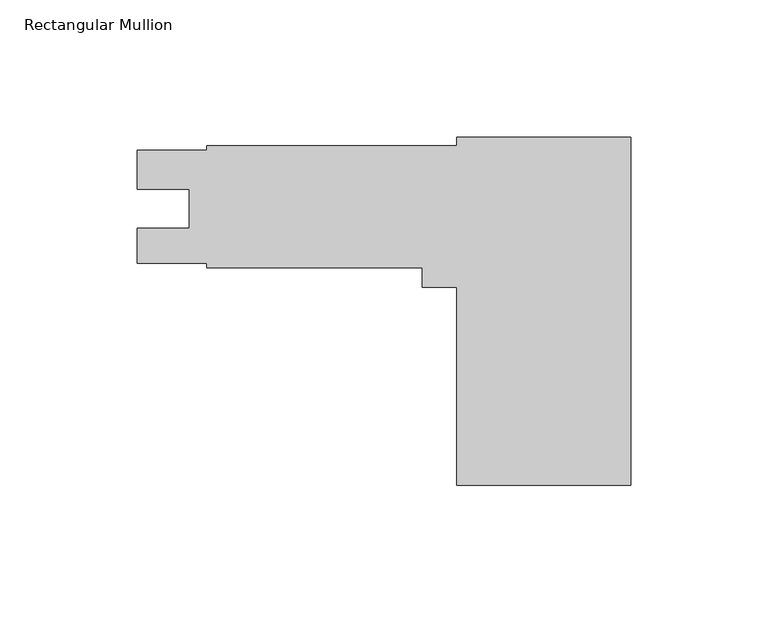
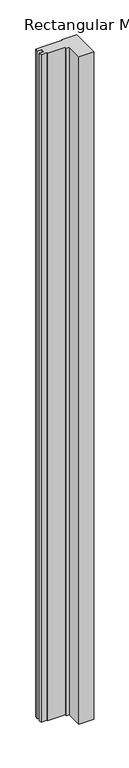
"""IFC4 building model written with IfcOpenShell, lengths in millimetres: member geometry, Rectangular Mullion."""

from ifc_helpers import new_model, si_unit, frame, origin, place, context, project, spatial, polyline, outline, extrude, source, transform, mapped, element, save


def rectangular_mullion_88c907b3(model_context):
    return source(origin(), model_context, "Body", "SweptSolid", [
        extrude(outline(polyline([(-63.5, 63.5889), (0.0, 63.5889), (0.0, -63.4111), (-63.5, -63.4111), (-63.5, 8.801227), (-76.2, 8.801227), (-76.2, 15.9639), (-154.78125, 15.9639), (-154.78125, 17.5641), (-180.18125, 17.5641), (-180.18125, 30.2768), (-161.1439509, 30.2768), (-161.1439509, 44.5643), (-180.18125, 44.5643), (-180.18125, 58.8263837), (-154.78125, 58.8263837), (-154.78125, 60.4139), (-63.5, 60.4139), (-63.5, 63.5889)])), frame((0.0, 0.0, -3048.0), z_axis=(0.0, 0.0, 1.0), x_axis=(1.0, 0.0, 0.0)), (0.0, 0.0, 1.0), 3048.0),
    ])


if __name__ == "__main__":
    model = new_model("IFC4")
    model_context = context("Model", 3, world=origin())
    ifc_project = project(units=[si_unit("LENGTHUNIT", "METRE", prefix="MILLI")], contexts=[model_context])
    site = spatial("IfcSite", under=ifc_project)
    building = spatial("IfcBuilding", under=site)
    placement = place(None, origin())
    rectangular_mullion_shape = rectangular_mullion_88c907b3(model_context)
    element("IfcMember", 1, ObjectType="Rectangular Mullion", at=placement, inside=building, context=model_context, shape_type="MappedRepresentation", body=[
        mapped(rectangular_mullion_shape, transform((0.0, 0.0, 0.0), x_axis=(1.0, 0.0, 0.0), y_axis=(0.0, 1.0, 0.0), z_axis=(0.0, 0.0, 1.0))),
    ])
    save(model, "model.ifc")
